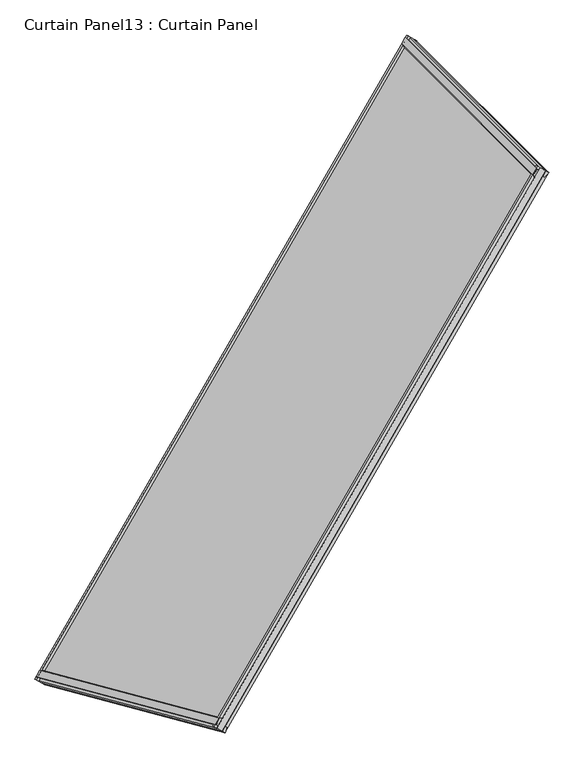
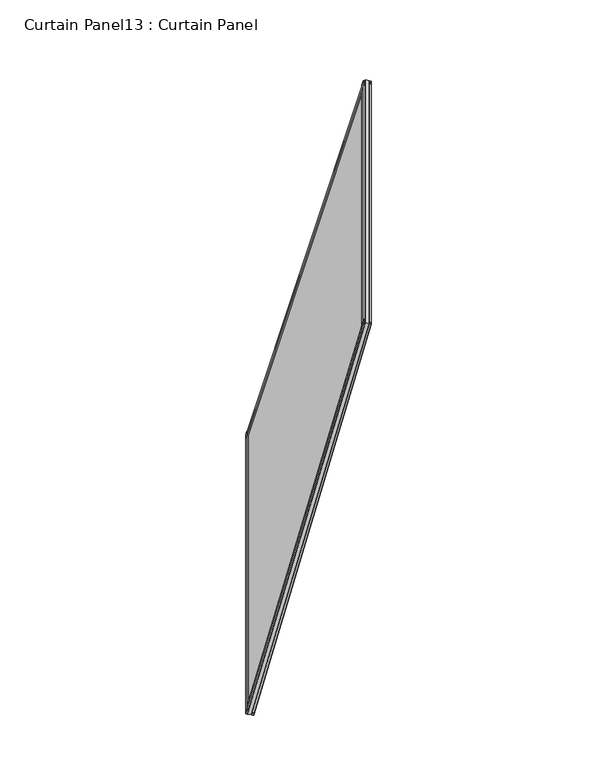
"""IFC4 building model written with IfcOpenShell, lengths in millimetres: plate geometry, Curtain Panel13 : Curtain Panel."""

from ifc_helpers import new_model, si_unit, frame, origin, place, context, project, spatial, polyline, outline, extrude, source, transform, mapped, element, save


def curtain_panel13_curtain_panel_5d0b3579(model_context):
    return source(origin(), model_context, "Body", "SweptSolid", [
        extrude(outline(polyline([(22.279479, -5.8689469), (22.2882717, -20.9890896), (17.5121093, -24.070989), (17.501526, -5.8717253), (22.279479, -5.8689469)])), frame((-15125.2893751, -12906.4686417, 980.3279056), z_axis=(0.24999999999999767, -0.06698729810778185, 0.9659258262890688), x_axis=(-0.8383994929501044, 0.48405017294318453, 0.25056280708573037)), (0.0, 0.0, 1.0), 1495.7431906),
        extrude(outline(polyline([(-1.6371094, 0.0), (4.7128906, 0.0), (4.7128906, -11.4749739), (-0.0826892, -12.7161612), (-3.2648369, -0.4212868), (-1.6371094, 0.0)])), frame((-15125.2893751, -12906.4686417, 980.3279056), z_axis=(0.24999999999999767, -0.06698729810778185, 0.9659258262890688), x_axis=(-0.8383994929501044, 0.48405017294318453, 0.25056280708573037)), (0.0, 0.0, 1.0), 1495.7431906),
        extrude(outline(polyline([(22.2794791, 5.8689468), (17.5015261, 5.8717253), (17.5121093, 24.070989), (22.2882717, 20.9890896), (22.2794791, 5.8689468)])), frame((-14352.9194694, -11568.6847229, 980.3279056), z_axis=(0.18301270189221913, -0.18301270189221755, 0.9659258262890688), x_axis=(-0.8383994929501044, 0.48405017294318464, 0.25056280708573025)), (0.0, 0.0, 1.0), 1495.7431905),
        extrude(outline(polyline([(-1.6371094, 0.0), (-3.2648368, 0.4212869), (-0.0826892, 12.7161612), (4.7128906, 11.4749739), (4.7128906, 0.0), (-1.6371094, 0.0)])), frame((-14352.9194694, -11568.6847229, 980.3279056), z_axis=(0.18301270189221913, -0.18301270189221755, 0.9659258262890688), x_axis=(-0.8383994929501044, 0.48405017294318464, 0.25056280708573025)), (0.0, 0.0, 1.0), 1495.7431905),
        extrude(outline(polyline([(4.7128906, 0.0), (-0.0992187, 0.0), (-0.0992188, 10.3383034), (4.7128907, 11.5612583), (4.7128906, 0.0)])), frame((-15125.2468925, -12906.4699876, 980.472655), z_axis=(0.49999999999999656, 0.8660254037844407, 0.0), x_axis=(-0.8383994929501044, 0.48405017294318464, 0.2505628070857303)), (0.0, 0.0, 1.0), 1544.6996588),
        extrude(outline(polyline([(17.5121094, 16.9465983), (22.3807368, 12.4442107), (22.3807368, 0.0), (17.5121093, 0.0), (17.5121094, 16.9465983)])), frame((-15125.2468925, -12906.4699876, 980.472655), z_axis=(0.49999999999999656, 0.8660254037844407, 0.0), x_axis=(-0.8383994929501044, 0.48405017294318464, 0.2505628070857303)), (0.0, 0.0, 1.0), 1544.6996588),
        extrude(outline(polyline([(4.7128907, 0.0), (4.7128906, -13.8695217), (-0.2317693, -12.7897013), (-3.0160806, -2.0209783), (4.7128907, 0.0)])), frame((-14751.3110863, -13006.6657677, 2425.2496322), z_axis=(0.4999999999999967, 0.8660254037844405, 0.0), x_axis=(-0.8383994929501045, 0.4840501729431847, 0.25056280708573025)), (0.0, 0.0, 1.0), 1344.3080342),
        extrude(outline(polyline([(22.1663358, -22.0855066), (17.5121093, -24.3574182), (17.5121093, -4.1574424), (22.3127177, -5.4231355), (22.1663358, -22.0855066)])), frame((-14751.3110863, -13006.6657677, 2425.2496322), z_axis=(0.4999999999999967, 0.8660254037844405, 0.0), x_axis=(-0.8383994929501045, 0.4840501729431847, 0.25056280708573025)), (0.0, 0.0, 1.0), 1344.3080342),
        extrude(outline(polyline([(-69.2031684, -1e-07), (-172.6797697, -1541.2500288), (-1654.9992691, -1341.3085527), (-1564.9463589, -1e-07), (-69.2031684, -1e-07)])), frame((-15146.5039884, -12899.5616714, 914.8084025), z_axis=(-0.8383994929501045, 0.4840501729431847, 0.2505628070857303), x_axis=(-0.24999999999999856, 0.06698729810778022, -0.9659258262890688)), (0.0, 0.0, 1.0), 12.7992187),
    ])


if __name__ == "__main__":
    model = new_model("IFC4")
    model_context = context("Model", 3, world=origin())
    ifc_project = project(units=[si_unit("LENGTHUNIT", "METRE", prefix="MILLI")], contexts=[model_context])
    site = spatial("IfcSite", under=ifc_project)
    building = spatial("IfcBuilding", under=site)
    placement = place(None, origin())
    curtain_panel13_curtain_panel_shape = curtain_panel13_curtain_panel_5d0b3579(model_context)
    element("IfcPlate", 1, ObjectType="Curtain Panel13 : Curtain Panel", at=placement, inside=building, context=model_context, shape_type="MappedRepresentation", body=[
        mapped(curtain_panel13_curtain_panel_shape, transform((0.0, 0.0, 0.0), x_axis=(1.0, 0.0, 0.0), y_axis=(0.0, 1.0, 0.0), z_axis=(0.0, 0.0, 1.0))),
    ])
    save(model, "model.ifc")
